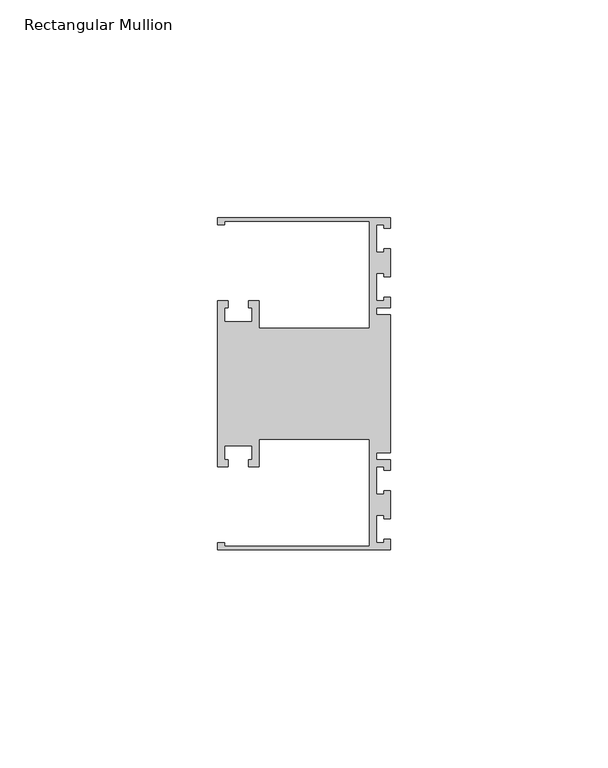
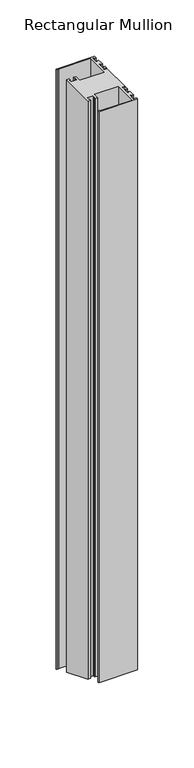
"""IFC4 building model written with IfcOpenShell, lengths in millimetres: member geometry, Rectangular Mullion."""

from ifc_helpers import new_model, si_unit, origin, place, context, project, spatial, faceted_brep, source, transform, mapped, element, save


def rectangular_mullion_08f22ec2(model_context):
    return source(origin(), model_context, "Body", "Brep", [
        faceted_brep([(0.0, -38.1, 0.0), (0.0, -35.71875, 0.0), (-1.4999946, -35.71875, 0.0), (-1.4999946, -36.5125, 0.0), (-3.175, -36.5125, 0.0), (-3.175, -30.1625, 0.0), (-1.4999946, -30.1625, 0.0), (-1.4999946, -30.95625, 0.0), (0.0, -30.95625, 0.0), (0.0, -24.60625, 0.0), (-1.4999946, -24.60625, 0.0), (-1.4999946, -25.4, 0.0), (-3.175, -25.4, 0.0), (-3.175, -19.05, 0.0), (-1.4999946, -19.05, 0.0), (-1.4999946, -19.84375, 0.0), (0.0, -19.84375, 0.0), (0.0, -17.4625, 0.0), (-3.175, -17.4625, 0.0), (-3.175, -15.875, 0.0), (0.0, -15.875, 0.0), (0.0, 15.875, 0.0), (-3.175, 15.875, 0.0), (-3.175, 17.4625, 0.0), (0.0, 17.4625, 0.0), (0.0, 19.84375, 0.0), (-1.4999946, 19.84375, 0.0), (-1.4999946, 19.05, 0.0), (-3.175, 19.05, 0.0), (-3.175, 25.4, 0.0), (-1.4999946, 25.4, 0.0), (-1.4999946, 24.60625, 0.0), (0.0, 24.60625, 0.0), (0.0, 30.95625, 0.0), (-1.4999946, 30.95625, 0.0), (-1.4999946, 30.1625, 0.0), (-3.175, 30.1625, 0.0), (-3.175, 36.5125, 0.0), (-1.4999946, 36.5125, 0.0), (-1.4999946, 35.71875, 0.0), (0.0, 35.71875, 0.0), (0.0, 38.1, 0.0), (-39.6875, 38.1, 0.0), (-39.6875, 36.5125, 0.0), (-38.1, 36.5125, 0.0), (-38.1, 37.30625, 0.0), (-4.8585733, 37.30625, 0.0), (-4.8585733, 12.6999969, 0.0), (-30.1625, 12.6999969, 0.0), (-30.1625, 19.05, 0.0), (-32.54375, 19.05, 0.0), (-32.54375, 17.4625, 0.0), (-31.75, 17.4625, 0.0), (-31.75, 14.2875, 0.0), (-38.1, 14.2875, 0.0), (-38.1, 17.4625, 0.0), (-37.30625, 17.4625, 0.0), (-37.30625, 19.05, 0.0), (-39.6875, 19.05, 0.0), (-39.6875, -19.05, 0.0), (-37.30625, -19.05, 0.0), (-37.30625, -17.4625, 0.0), (-38.1, -17.4625, 0.0), (-38.1, -14.2875, 0.0), (-31.75, -14.2875, 0.0), (-31.75, -17.4625, 0.0), (-32.54375, -17.4625, 0.0), (-32.54375, -19.05, 0.0), (-30.1625, -19.05, 0.0), (-30.1625, -12.6999969, 0.0), (-4.8585733, -12.6999969, 0.0), (-4.8585733, -37.30625, 0.0), (-38.1, -37.30625, 0.0), (-38.1, -36.5125, 0.0), (-39.6875, -36.5125, 0.0), (-39.6875, -38.1, 0.0), (0.0, -38.1, -619.2184633), (0.0, -35.71875, -620.2048093), (-1.4999946, -35.71875, -620.2048093), (-1.4999946, -36.5125, -619.8760273), (-3.175, -36.5125, -619.8760273), (-3.175, -30.1625, -622.5062834), (-1.4999946, -30.1625, -622.5062834), (-1.4999946, -30.95625, -622.1775014), (0.0, -30.95625, -622.1775014), (0.0, -24.60625, -624.8077575), (-1.4999946, -24.60625, -624.8077575), (-1.4999946, -25.4, -624.4789755), (-3.175, -25.4, -624.4789755), (-3.175, -19.05, -627.1092316), (-1.4999946, -19.05, -627.1092316), (-1.4999946, -19.84375, -626.7804496), (0.0, -19.84375, -626.7804496), (0.0, -17.4625, -627.7667957), (-3.175, -17.4625, -627.7667957), (-3.175, -15.875, -628.4243597), (0.0, -15.875, -628.4243597), (0.0, 15.875, -641.5756403), (-3.175, 15.875, -641.5756403), (-3.175, 17.4625, -642.2332043), (0.0, 17.4625, -642.2332043), (0.0, 19.84375, -643.2195504), (-1.4999946, 19.84375, -643.2195504), (-1.4999946, 19.05, -642.8907684), (-3.175, 19.05, -642.8907684), (-3.175, 25.4, -645.5210245), (-1.4999946, 25.4, -645.5210245), (-1.4999946, 24.60625, -645.1922425), (0.0, 24.60625, -645.1922425), (0.0, 30.95625, -647.8224986), (-1.4999946, 30.95625, -647.8224986), (-1.4999946, 30.1625, -647.4937166), (-3.175, 30.1625, -647.4937166), (-3.175, 36.5125, -650.1239727), (-1.4999946, 36.5125, -650.1239727), (-1.4999946, 35.71875, -649.7951907), (0.0, 35.71875, -649.7951907), (0.0, 38.1, -650.7815367), (-39.6875, 38.1, -650.7815367), (-39.6875, 36.5125, -650.1239727), (-38.1, 36.5125, -650.1239727), (-38.1, 37.30625, -650.4527547), (-4.8585733, 37.30625, -650.4527547), (-4.8585733, 12.6999969, -640.260511), (-30.1625, 12.6999969, -640.260511), (-30.1625, 19.05, -642.8907684), (-32.54375, 19.05, -642.8907684), (-32.54375, 17.4625, -642.2332043), (-31.75, 17.4625, -642.2332043), (-31.75, 14.2875, -640.9180763), (-38.1, 14.2875, -640.9180763), (-38.1, 17.4625, -642.2332043), (-37.30625, 17.4625, -642.2332043), (-37.30625, 19.05, -642.8907684), (-39.6875, 19.05, -642.8907684), (-39.6875, -19.05, -627.1092316), (-37.30625, -19.05, -627.1092316), (-37.30625, -17.4625, -627.7667957), (-38.1, -17.4625, -627.7667957), (-38.1, -14.2875, -629.0819237), (-31.75, -14.2875, -629.0819237), (-31.75, -17.4625, -627.7667957), (-32.54375, -17.4625, -627.7667957), (-32.54375, -19.05, -627.1092316), (-30.1625, -19.05, -627.1092316), (-30.1625, -12.6999969, -629.739489), (-4.8585733, -12.6999969, -629.739489), (-4.8585733, -37.30625, -619.5472453), (-38.1, -37.30625, -619.5472453), (-38.1, -36.5125, -619.8760273), (-39.6875, -36.5125, -619.8760273), (-39.6875, -38.1, -619.2184633)], [[[0, 1, 2, 3, 4, 5, 6, 7, 8, 9, 10, 11, 12, 13, 14, 15, 16, 17, 18, 19, 20, 21, 22, 23, 24, 25, 26, 27, 28, 29, 30, 31, 32, 33, 34, 35, 36, 37, 38, 39, 40, 41, 42, 43, 44, 45, 46, 47, 48, 49, 50, 51, 52, 53, 54, 55, 56, 57, 58, 59, 60, 61, 62, 63, 64, 65, 66, 67, 68, 69, 70, 71, 72, 73, 74, 75]], [[1, 0, 76, 77]], [[2, 1, 77, 78]], [[3, 2, 78, 79]], [[4, 3, 79, 80]], [[5, 4, 80, 81]], [[6, 5, 81, 82]], [[7, 6, 82, 83]], [[8, 7, 83, 84]], [[9, 8, 84, 85]], [[10, 9, 85, 86]], [[11, 10, 86, 87]], [[12, 11, 87, 88]], [[13, 12, 88, 89]], [[14, 13, 89, 90]], [[15, 14, 90, 91]], [[16, 15, 91, 92]], [[17, 16, 92, 93]], [[18, 17, 93, 94]], [[19, 18, 94, 95]], [[20, 19, 95, 96]], [[21, 20, 96, 97]], [[22, 21, 97, 98]], [[23, 22, 98, 99]], [[24, 23, 99, 100]], [[25, 24, 100, 101]], [[26, 25, 101, 102]], [[27, 26, 102, 103]], [[28, 27, 103, 104]], [[29, 28, 104, 105]], [[30, 29, 105, 106]], [[31, 30, 106, 107]], [[32, 31, 107, 108]], [[33, 32, 108, 109]], [[34, 33, 109, 110]], [[35, 34, 110, 111]], [[36, 35, 111, 112]], [[37, 36, 112, 113]], [[38, 37, 113, 114]], [[39, 38, 114, 115]], [[40, 39, 115, 116]], [[41, 40, 116, 117]], [[42, 41, 117, 118]], [[43, 42, 118, 119]], [[44, 43, 119, 120]], [[45, 44, 120, 121]], [[46, 45, 121, 122]], [[47, 46, 122, 123]], [[48, 47, 123, 124]], [[49, 48, 124, 125]], [[50, 49, 125, 126]], [[51, 50, 126, 127]], [[52, 51, 127, 128]], [[53, 52, 128, 129]], [[54, 53, 129, 130]], [[55, 54, 130, 131]], [[56, 55, 131, 132]], [[57, 56, 132, 133]], [[58, 57, 133, 134]], [[59, 58, 134, 135]], [[60, 59, 135, 136]], [[61, 60, 136, 137]], [[62, 61, 137, 138]], [[63, 62, 138, 139]], [[64, 63, 139, 140]], [[65, 64, 140, 141]], [[66, 65, 141, 142]], [[67, 66, 142, 143]], [[68, 67, 143, 144]], [[69, 68, 144, 145]], [[70, 69, 145, 146]], [[71, 70, 146, 147]], [[72, 71, 147, 148]], [[73, 72, 148, 149]], [[74, 73, 149, 150]], [[75, 74, 150, 151]], [[0, 75, 151, 76]], [[76, 151, 150, 149, 148, 147, 146, 145, 144, 143, 142, 141, 140, 139, 138, 137, 136, 135, 134, 133, 132, 131, 130, 129, 128, 127, 126, 125, 124, 123, 122, 121, 120, 119, 118, 117, 116, 115, 114, 113, 112, 111, 110, 109, 108, 107, 106, 105, 104, 103, 102, 101, 100, 99, 98, 97, 96, 95, 94, 93, 92, 91, 90, 89, 88, 87, 86, 85, 84, 83, 82, 81, 80, 79, 78, 77]]]),
    ])


if __name__ == "__main__":
    model = new_model("IFC4")
    model_context = context("Model", 3, world=origin())
    ifc_project = project(units=[si_unit("LENGTHUNIT", "METRE", prefix="MILLI")], contexts=[model_context])
    site = spatial("IfcSite", under=ifc_project)
    building = spatial("IfcBuilding", under=site)
    placement = place(None, origin())
    rectangular_mullion_shape = rectangular_mullion_08f22ec2(model_context)
    element("IfcMember", 1, ObjectType="Rectangular Mullion", at=placement, inside=building, context=model_context, shape_type="MappedRepresentation", body=[
        mapped(rectangular_mullion_shape, transform((0.0, 0.0, 0.0), x_axis=(1.0, 0.0, 0.0), y_axis=(0.0, 1.0, 0.0), z_axis=(0.0, 0.0, 1.0))),
    ])
    save(model, "model.ifc")
